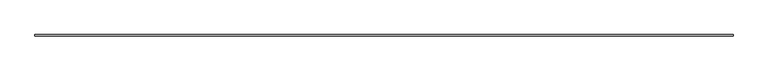
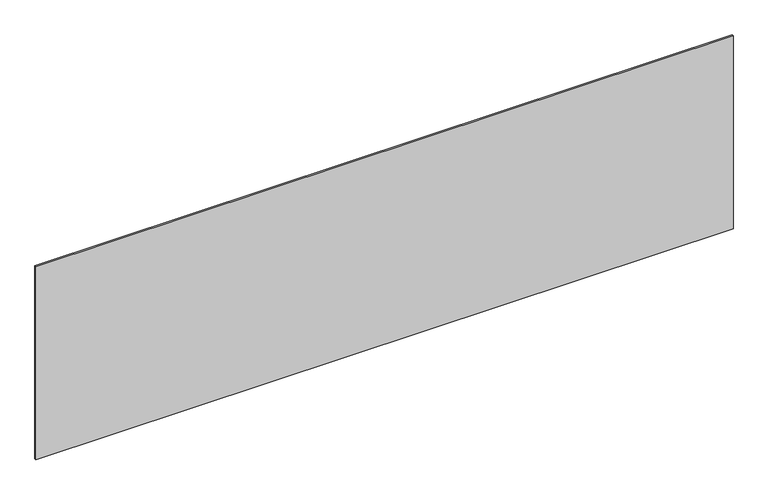
"""IFC4 building model written with IfcOpenShell, lengths in millimetres: plate geometry."""

from ifc_helpers import new_model, si_unit, origin, origin_with_axes, place, context, project, spatial, polyline, outline, extrude, source, transform, mapped, element, save


def plate_e64ce751(model_context):
    return source(origin(), model_context, "Body", "SweptSolid", [
        extrude(outline(polyline([(2206.6666667, -5.0), (-2206.6666667, -5.0), (-2206.6666667, 5.0), (2206.6666667, 5.0), (2206.6666667, -5.0)])), origin_with_axes(), (0.0, 0.0, 1.0), 1292.5856382),
    ])


if __name__ == "__main__":
    model = new_model("IFC4")
    model_context = context("Model", 3, world=origin())
    ifc_project = project(units=[si_unit("LENGTHUNIT", "METRE", prefix="MILLI")], contexts=[model_context])
    site = spatial("IfcSite", under=ifc_project)
    building = spatial("IfcBuilding", under=site)
    placement = place(None, origin())
    plate_shape = plate_e64ce751(model_context)
    element("IfcPlate", 1, at=placement, inside=building, context=model_context, shape_type="MappedRepresentation", body=[
        mapped(plate_shape, transform((0.0, 0.0, 0.0), x_axis=(1.0, 0.0, 0.0), y_axis=(0.0, 1.0, 0.0), z_axis=(0.0, 0.0, 1.0))),
    ])
    save(model, "model.ifc")
